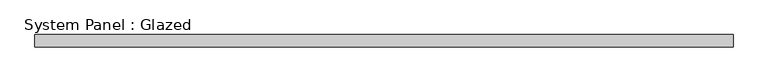
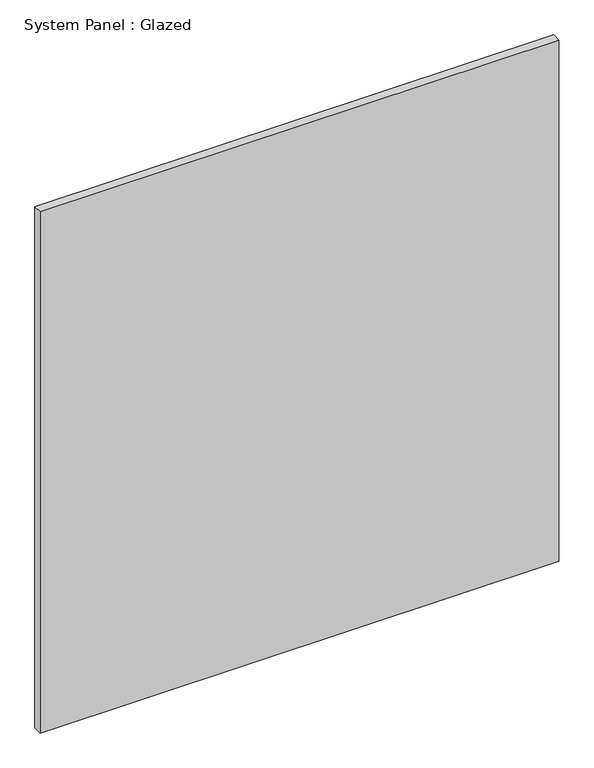
"""IFC4 building model written with IfcOpenShell, lengths in millimetres: plate geometry, System Panel : Glazed."""

from ifc_helpers import new_model, si_unit, origin, origin_with_axes, place, context, project, spatial, polyline, outline, extrude, source, transform, mapped, element, save


def system_panel_glazed_449df920(model_context):
    return source(origin(), model_context, "Body", "SweptSolid", [
        extrude(outline(polyline([(717.9552273, 24.5), (-717.9552273, 24.5), (-717.9552273, 49.5), (717.9552273, 49.5), (717.9552273, 24.5)])), origin_with_axes(), (0.0, 0.0, 1.0), 1525.0),
    ])


if __name__ == "__main__":
    model = new_model("IFC4")
    model_context = context("Model", 3, world=origin())
    ifc_project = project(units=[si_unit("LENGTHUNIT", "METRE", prefix="MILLI")], contexts=[model_context])
    site = spatial("IfcSite", under=ifc_project)
    building = spatial("IfcBuilding", under=site)
    placement = place(None, origin())
    system_panel_glazed_shape = system_panel_glazed_449df920(model_context)
    element("IfcPlate", 1, ObjectType="System Panel : Glazed", at=placement, inside=building, context=model_context, shape_type="MappedRepresentation", body=[
        mapped(system_panel_glazed_shape, transform((0.0, 0.0, 0.0), x_axis=(1.0, 0.0, 0.0), y_axis=(0.0, 1.0, 0.0), z_axis=(0.0, 0.0, 1.0))),
    ])
    save(model, "model.ifc")
